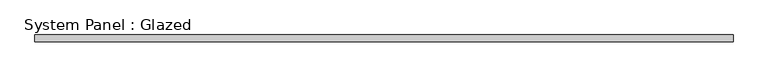
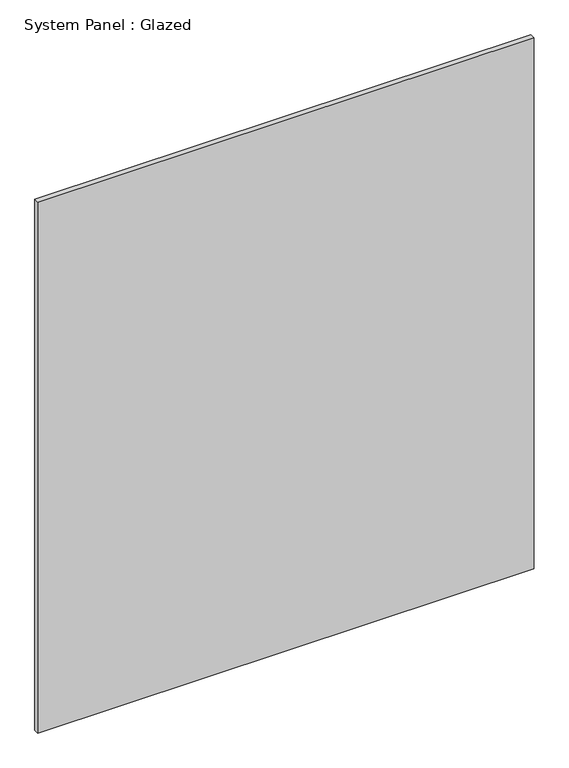
"""IFC4 building model written with IfcOpenShell, lengths in millimetres: plate geometry, System Panel : Glazed."""

from ifc_helpers import new_model, si_unit, origin, origin_with_axes, place, context, project, spatial, polyline, outline, extrude, source, transform, mapped, element, save


def system_panel_glazed_7b4ea85f(model_context):
    return source(origin(), model_context, "Body", "SweptSolid", [
        extrude(outline(polyline([(1312.8625, -44.45), (-1312.8625, -44.45), (-1312.8625, -19.05), (1312.8625, -19.05), (1312.8625, -44.45)])), origin_with_axes(), (0.0, 0.0, 1.0), 2968.625),
    ])


if __name__ == "__main__":
    model = new_model("IFC4")
    model_context = context("Model", 3, world=origin())
    ifc_project = project(units=[si_unit("LENGTHUNIT", "METRE", prefix="MILLI")], contexts=[model_context])
    site = spatial("IfcSite", under=ifc_project)
    building = spatial("IfcBuilding", under=site)
    placement = place(None, origin())
    system_panel_glazed_shape = system_panel_glazed_7b4ea85f(model_context)
    element("IfcPlate", 1, ObjectType="System Panel : Glazed", at=placement, inside=building, context=model_context, shape_type="MappedRepresentation", body=[
        mapped(system_panel_glazed_shape, transform((0.0, 0.0, 0.0), x_axis=(1.0, 0.0, 0.0), y_axis=(0.0, 1.0, 0.0), z_axis=(0.0, 0.0, 1.0))),
    ])
    save(model, "model.ifc")
